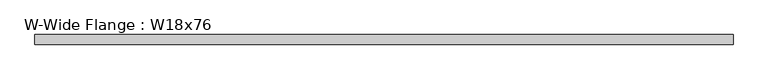
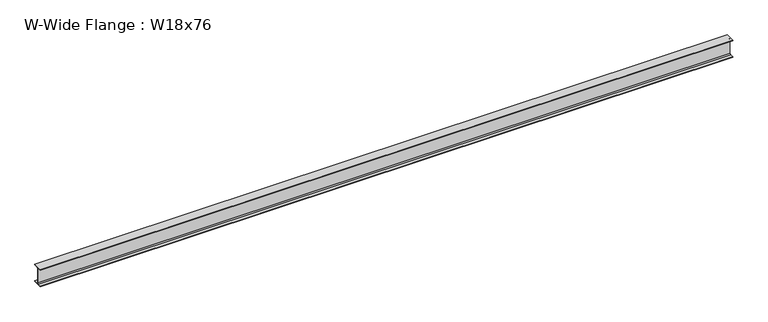
"""IFC4 building model written with IfcOpenShell, lengths in millimetres: beam geometry, W-Wide Flange : W18x76."""

import ifcopenshell
import ifcopenshell.guid

model = None  # the IFC model being written
_history = None  # IfcOwnerHistory: only IFC2X3 demands one
_inside = {}  # id of a spatial element -> (the spatial element, [elements in it])
_under = {}  # id of a project, library or spatial element -> (it, [spatial elements below it])
_declared = {}  # id of a project -> (the project, [libraries it declares])
_typed = {}  # id of a type object -> (the type object, [elements of that type])
_made_of = {}  # id of a material, layer set ... -> (it, [elements and type objects made of it])


def new_model(schema):
    """Start an empty IFC model of exactly this schema.

    Asked for "IFC4X3", IfcOpenShell would pick the latest addendum, in which some entities
    have other attributes; the version numbers below select the first issue.
    IFC2X3 requires an IfcOwnerHistory on every rooted entity: one is made here for all.
    """
    global model, _history
    if schema == "IFC4X3":
        model = ifcopenshell.file(schema_version=(4, 3, 0, 0))
    else:
        model = ifcopenshell.file(schema=schema)
    _inside.clear()
    _under.clear()
    _declared.clear()
    _typed.clear()
    _made_of.clear()
    _history = None
    if model.schema == "IFC2X3":
        org = make("IfcOrganization", Name="unknown")
        user = make(
            "IfcPersonAndOrganization",
            ThePerson=make("IfcPerson", FamilyName="unknown"),
            TheOrganization=org,
        )
        app = make(
            "IfcApplication",
            ApplicationDeveloper=org,
            Version="unknown",
            ApplicationFullName="unknown",
            ApplicationIdentifier="unknown",
        )
        _history = make(
            "IfcOwnerHistory",
            OwningUser=user,
            OwningApplication=app,
            ChangeAction="ADDED",
            CreationDate=0,
        )
    return model


def make(cls, **values):
    """One entity of the class cls with the attributes given. An attribute that is None is left unset."""
    return model.create_entity(
        cls, **{name: value for name, value in values.items() if value is not None}
    )


def rooted(cls, **values):
    """An entity with a GlobalId (a new one), such as an element, a storey or a relation."""
    return make(cls, GlobalId=ifcopenshell.guid.new(), OwnerHistory=_history, **values)


def si_unit(unit_type, name, prefix=None):
    """IfcSIUnit, for example si_unit("LENGTHUNIT", "METRE", prefix="MILLI")."""
    return make("IfcSIUnit", UnitType=unit_type, Prefix=prefix, Name=name)


def assignment(units):
    """IfcUnitAssignment: the units of a project."""
    return None if units is None else make("IfcUnitAssignment", Units=units)


def point(xyz):
    """IfcCartesianPoint."""
    return None if xyz is None else make("IfcCartesianPoint", Coordinates=xyz)


def direction(xyz):
    """IfcDirection."""
    return None if xyz is None else make("IfcDirection", DirectionRatios=xyz)


def frame(location, z_axis=None, x_axis=None):
    """IfcAxis2Placement3D, a coordinate frame: its origin and axes. An axis left out is left unset."""
    return make(
        "IfcAxis2Placement3D",
        Location=point(location),
        Axis=direction(z_axis),
        RefDirection=direction(x_axis),
    )


def frame_2d(location, x_axis=None):
    """IfcAxis2Placement2D, a coordinate frame in the plane: its origin and x axis."""
    return make(
        "IfcAxis2Placement2D", Location=point(location), RefDirection=direction(x_axis)
    )


def origin():
    """The frame at (0, 0, 0) with its axes left unset."""
    return frame((0.0, 0.0, 0.0))


def place(relative_to, where):
    """IfcLocalPlacement: puts the frame where relative to a parent placement (None: the world)."""
    return make(
        "IfcLocalPlacement", PlacementRelTo=relative_to, RelativePlacement=where
    )


def context(
    kind, dimensions, precision=None, world=None, true_north=None, identifier=None
):
    """IfcGeometricRepresentationContext, for example the 3D "Model" context."""
    return make(
        "IfcGeometricRepresentationContext",
        ContextIdentifier=identifier,
        ContextType=kind,
        CoordinateSpaceDimension=dimensions,
        Precision=precision,
        WorldCoordinateSystem=world,
        TrueNorth=true_north,
    )


def project(units=None, contexts=None):
    """IfcProject with its units and contexts."""
    return rooted(
        "IfcProject",
        Name="project",
        RepresentationContexts=contexts,
        UnitsInContext=assignment(units),
    )


def spatial(cls, under=None, at=None, **own):
    """A site, building, storey or space (cls), placed at a placement, below another one or the project."""
    s = rooted(cls, ObjectPlacement=at, **own)
    if under is not None:
        _under.setdefault(under.id(), (under, []))[1].append(s)
    return s


def polyline(points):
    """IfcPolyline through the points."""
    return make("IfcPolyline", Points=[point(p) for p in points])


def circle_curve(where, radius):
    """IfcCircle in the frame where."""
    return make("IfcCircle", Position=where, Radius=radius)


def trimmed(basis, trim1, trim2, sense, master):
    """IfcTrimmedCurve: the piece of a basis curve between two trims."""
    return make(
        "IfcTrimmedCurve",
        BasisCurve=basis,
        Trim1=trim1,
        Trim2=trim2,
        SenseAgreement=sense,
        MasterRepresentation=master,
    )


def segment(curve, same_sense, transition):
    """IfcCompositeCurveSegment."""
    return make(
        "IfcCompositeCurveSegment",
        Transition=transition,
        SameSense=same_sense,
        ParentCurve=curve,
    )


def composite_curve(segments, self_intersect=None):
    """IfcCompositeCurve: segments joined end to end."""
    return make("IfcCompositeCurve", Segments=segments, SelfIntersect=self_intersect)


def outline(outer, holes=None, kind="AREA"):
    """IfcArbitraryClosedProfileDef: a profile drawn as a closed curve; with holes, ...WithVoids."""
    if holes is None:
        return make("IfcArbitraryClosedProfileDef", ProfileType=kind, OuterCurve=outer)
    return make(
        "IfcArbitraryProfileDefWithVoids",
        ProfileType=kind,
        OuterCurve=outer,
        InnerCurves=holes,
    )


def extrude(swept, where, along, depth):
    """IfcExtrudedAreaSolid: the profile swept, set in the frame where, extruded along a direction by depth."""
    return make(
        "IfcExtrudedAreaSolid",
        SweptArea=swept,
        Position=where,
        ExtrudedDirection=direction(along),
        Depth=depth,
    )


def shape(context_of_items, identifier, shape_type, items):
    """IfcShapeRepresentation: the items that make up one representation, for example the "Body"."""
    return make(
        "IfcShapeRepresentation",
        ContextOfItems=context_of_items,
        RepresentationIdentifier=identifier,
        RepresentationType=shape_type,
        Items=items,
    )


def source(mapping_origin, context_of_items, identifier, shape_type, items):
    """IfcRepresentationMap: a shape defined once, which mapped items show again and again."""
    return make(
        "IfcRepresentationMap",
        MappingOrigin=mapping_origin,
        MappedRepresentation=shape(context_of_items, identifier, shape_type, items),
    )


def transform(
    local_origin,
    x_axis=None,
    y_axis=None,
    z_axis=None,
    scale=None,
    scale2=None,
    scale3=None,
    uniform=True,
):
    """IfcCartesianTransformationOperator3D, or its non-uniform kind. x_axis, y_axis, z_axis: its Axis1, 2, 3."""
    if uniform:
        return make(
            "IfcCartesianTransformationOperator3D",
            Axis1=direction(x_axis),
            Axis2=direction(y_axis),
            LocalOrigin=point(local_origin),
            Scale=scale,
            Axis3=direction(z_axis),
        )
    return make(
        "IfcCartesianTransformationOperator3DnonUniform",
        Axis1=direction(x_axis),
        Axis2=direction(y_axis),
        LocalOrigin=point(local_origin),
        Scale=scale,
        Axis3=direction(z_axis),
        Scale2=scale2,
        Scale3=scale3,
    )


def mapped(mapping_source, mapping_target):
    """IfcMappedItem: shows the shape of a source again, moved by a transform."""
    return make(
        "IfcMappedItem", MappingSource=mapping_source, MappingTarget=mapping_target
    )


def made_of(thing, what):
    """Note that an element or type object is made of a material, layer set ...; save() writes the relation."""
    if what is not None:
        _made_of.setdefault(what.id(), (what, []))[1].append(thing)
    return thing


def element(
    cls,
    number,
    at=None,
    inside=None,
    cuts=None,
    type_object=None,
    material=None,
    context=None,
    identifier="Body",
    shape_type=None,
    held_by="IfcProductDefinitionShape",
    body=None,
    shapes=None,
    **own,
):
    """One element of the class cls, such as IfcWall. Its Tag is "e" and its number.

    at: its placement. inside: the storey or other place that contains it. cuts: it is an
    opening in that element (IfcRelVoidsElement). A single representation is given by context,
    identifier, shape_type and body (its items); several are given by shapes. held_by: the class
    of the entity that holds the representations. save() writes the other relations.
    """
    e = rooted(cls, Tag="e%d" % number, ObjectPlacement=at, **own)
    if body is not None:
        shapes = [shape(context, identifier, shape_type, body)]
    if shapes is not None:
        e.Representation = make(held_by, Representations=shapes)
    if inside is not None:
        _inside.setdefault(inside.id(), (inside, []))[1].append(e)
    if cuts is not None:
        rooted(
            "IfcRelVoidsElement", RelatingBuildingElement=cuts, RelatedOpeningElement=e
        )
    if type_object is not None:
        _typed.setdefault(type_object.id(), (type_object, []))[1].append(e)
    return made_of(e, material)


def aggregate(whole, parts):
    """IfcRelAggregates: a whole, such as a stair, and the parts it consists of."""
    return rooted("IfcRelAggregates", RelatingObject=whole, RelatedObjects=parts)


def save(model, path):
    """Write the relations noted so far, then the file.

    IfcRelAggregates (storeys below a building ...), IfcRelContainedInSpatialStructure (elements
    in a storey), IfcRelDefinesByType, IfcRelAssociatesMaterial and IfcRelDeclares: one each for
    every whole, place, type object, material and project.
    """
    for whole, parts in _under.values():
        aggregate(whole, parts)
    for where, things in _inside.values():
        rooted(
            "IfcRelContainedInSpatialStructure",
            RelatedElements=things,
            RelatingStructure=where,
        )
    for kind, things in _typed.values():
        rooted("IfcRelDefinesByType", RelatedObjects=things, RelatingType=kind)
    for what, things in _made_of.values():
        rooted("IfcRelAssociatesMaterial", RelatedObjects=things, RelatingMaterial=what)
    for by, libraries in _declared.values():
        rooted("IfcRelDeclares", RelatingContext=by, RelatedDefinitions=libraries)
    model.write(path)


def w_wide_flange_w18x76_65f6f81b(model_context):
    return source(origin(), model_context, "Body", "SweptSolid", [
        extrude(outline(composite_curve([segment(polyline([(82.4011719, -145.5539063), (82.4011719, -155.178125), (-82.4011719, -155.178125), (-82.4011719, -145.5539063), (-20.2902344, -145.5539063)]), True, "CONTINUOUS"), segment(trimmed(circle_curve(frame_2d((-20.2902344, -128.190625)), 17.3632812), [point((-20.2902344, -145.5539063))], [point((-2.9269531, -128.190625))], True, "CARTESIAN"), True, "CONTINUOUS"), segment(polyline([(-2.9269531, -128.190625), (-2.9269531, 128.190625)]), True, "CONTINUOUS"), segment(trimmed(circle_curve(frame_2d((-20.2902344, 128.190625)), 17.3632812), [point((-2.9269531, 128.190625))], [point((-20.2902344, 145.5539062))], True, "CARTESIAN"), True, "CONTINUOUS"), segment(polyline([(-20.2902344, 145.5539062), (-82.4011719, 145.5539062), (-82.4011719, 155.178125), (82.4011719, 155.178125), (82.4011719, 145.5539062), (20.2902344, 145.5539062)]), True, "CONTINUOUS"), segment(trimmed(circle_curve(frame_2d((20.2902344, 128.190625)), 17.3632812), [point((20.2902344, 145.5539062))], [point((2.9269531, 128.190625))], True, "CARTESIAN"), True, "CONTINUOUS"), segment(polyline([(2.9269531, 128.190625), (2.9269531, -128.190625)]), True, "CONTINUOUS"), segment(trimmed(circle_curve(frame_2d((20.2902344, -128.190625)), 17.3632812), [point((2.9269531, -128.190625))], [point((20.2902344, -145.5539063))], True, "CARTESIAN"), True, "CONTINUOUS"), segment(polyline([(20.2902344, -145.5539063), (82.4011719, -145.5539063)]), True, "CONTINUOUS")], self_intersect=False)), frame((-5910.5905386, 0.0, 0.0), z_axis=(1.0, 0.0, 0.0), x_axis=(0.0, 1.0, 0.0)), (0.0, 0.0, 1.0), 11964.3921875),
    ])


if __name__ == "__main__":
    model = new_model("IFC4")
    model_context = context("Model", 3, world=origin())
    ifc_project = project(units=[si_unit("LENGTHUNIT", "METRE", prefix="MILLI")], contexts=[model_context])
    site = spatial("IfcSite", under=ifc_project)
    building = spatial("IfcBuilding", under=site)
    placement = place(None, origin())
    w_wide_flange_w18x76_shape = w_wide_flange_w18x76_65f6f81b(model_context)
    element("IfcBeam", 1, ObjectType="W-Wide Flange : W18x76", at=placement, inside=building, context=model_context, shape_type="MappedRepresentation", body=[
        mapped(w_wide_flange_w18x76_shape, transform((0.0, 0.0, 0.0), x_axis=(1.0, 0.0, 0.0), y_axis=(0.0, 1.0, 0.0), z_axis=(0.0, 0.0, 1.0))),
    ])
    save(model, "model.ifc")
